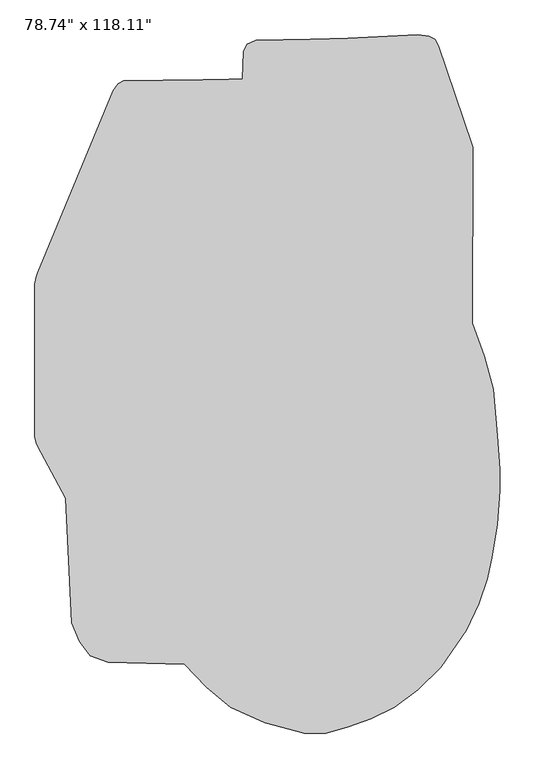
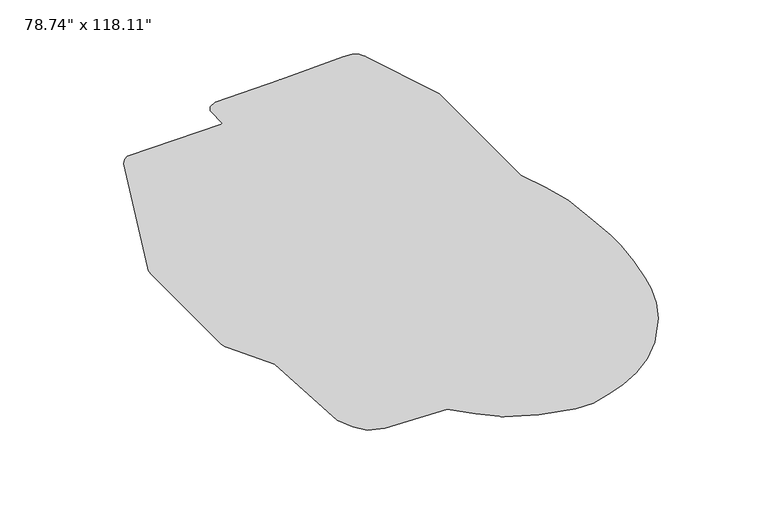
"""IFC4 building model written with IfcOpenShell, lengths in millimetres: furniture geometry."""

from ifc_helpers import new_model, si_unit, origin, place, context, project, spatial, triangles, source, transform, mapped, element, save


def furniture_5c37b879(model_context):
    return source(origin(), model_context, "Body", "Tessellation", [
        triangles([(883.7235294, 1005.7002411, 5.0800003), (302.4932186, 1482.7087704, 5.0800003), (-106.9281208, 1309.5949184, 5.0800003), (-49.4100564, 1476.7493958, 5.0800003), (-86.7741456, 1459.0507668, 5.0800003), (-102.5059343, 1430.0445431, 5.0800003), (880.0736069, 1029.3394232, 5.0800003), (735.7499308, 1453.6093838, 5.0800003), (721.1496592, 1481.5940128, 5.0800003), (693.3655993, 1494.7022243, 5.0800003), (647.0240965, 1500.01222, 5.0800003), (883.2018316, 1017.6936224, 5.0800003), (-987.7271376, -267.1330041, 5.0800003), (-868.2912592, -491.8757904, 5.0800003), (-987.4855825, 477.0298216, 5.0800003), (-994.6138538, 457.9791676, 5.0800003), (-1000.008074, 429.0230135, 5.0800003), (-1000.008074, -226.122862, 5.0800003), (-994.4390825, -252.5679774, 5.0800003), (881.4999733, 260.3575819, 5.0800003), (-662.4707554, 1260.923616, 5.0800003), (931.8955164, 119.6887154, 5.0800003), (987.845953, -221.3344914, 5.0800003), (971.5262369, -22.1464157, 5.0800003), (1000.008074, -366.3307646, 5.0800003), (1000.008074, -459.180148, 5.0800003), (988.088162, -602.8055019, 5.0800003), (-841.8389494, -1025.6626854, 5.0800003), (-807.7707527, -1108.399859, 5.0800003), (-761.8829287, -1166.8026169, 5.0800003), (-684.7082062, -1194.613492, 5.0800003), (-356.2830494, -1204.0419863, 5.0800003), (965.954048, -747.0714054, 5.0800003), (944.8145679, -836.0566715, 5.0800003), (348.5914041, -1471.9802101, 5.0800003), (445.564809, -1438.3039227, 5.0800003), (545.8573065, -1388.1572742, 5.0800003), (648.116399, -1314.412793, 5.0800003), (746.4428827, -1216.0865999, 5.0800003), (855.8303919, -1058.2729769, 5.0800003), (908.9262789, -944.2146772, 5.0800003), (-261.3982524, -1303.3511135, 5.0800003), (-158.155499, -1388.4034801, 5.0800003), (-11.2825281, -1454.5272057, 5.0800003), (159.3326982, -1500.01222, 5.0800003), (252.0297835, -1500.01222, 5.0800003), (-619.2074078, 1303.6954239, 5.0800003), (-640.8390816, 1289.4381546, 5.0800003)], [[1, 2, 3], [2, 4, 5], [2, 5, 6], [2, 6, 3], [1, 7, 8], [1, 8, 9], [1, 9, 10], [1, 10, 11], [1, 11, 2], [1, 12, 7], [13, 14, 15], [15, 16, 17], [15, 17, 18], [15, 18, 19], [15, 19, 13], [14, 20, 1], [14, 1, 21], [14, 21, 15], [14, 22, 20], [14, 23, 24], [14, 24, 22], [14, 25, 23], [14, 26, 25], [14, 27, 26], [14, 28, 29], [14, 29, 30], [14, 30, 31], [14, 31, 32], [14, 32, 33], [14, 33, 27], [34, 33, 32], [32, 35, 36], [32, 36, 37], [32, 37, 38], [32, 38, 39], [32, 39, 40], [32, 40, 41], [32, 41, 34], [32, 42, 43], [32, 43, 44], [32, 44, 45], [32, 45, 46], [32, 46, 35], [3, 47, 48], [3, 48, 21], [3, 21, 1]], closed=False),
    ])


if __name__ == "__main__":
    model = new_model("IFC4")
    model_context = context("Model", 3, world=origin())
    ifc_project = project(units=[si_unit("LENGTHUNIT", "METRE", prefix="MILLI")], contexts=[model_context])
    site = spatial("IfcSite", under=ifc_project)
    building = spatial("IfcBuilding", under=site)
    placement = place(None, origin())
    furniture_shape = furniture_5c37b879(model_context)
    element("IfcFurniture", 1, ObjectType="78.74\" x 118.11\"", at=placement, inside=building, context=model_context, shape_type="MappedRepresentation", body=[
        mapped(furniture_shape, transform((0.0, 0.0, 0.0), x_axis=(1.0, 0.0, 0.0), y_axis=(0.0, 1.0, 0.0), z_axis=(0.0, 0.0, 1.0))),
    ])
    save(model, "model.ifc")
